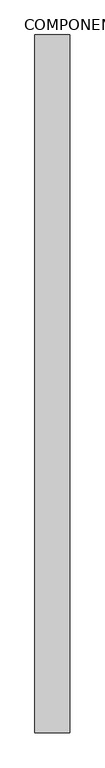
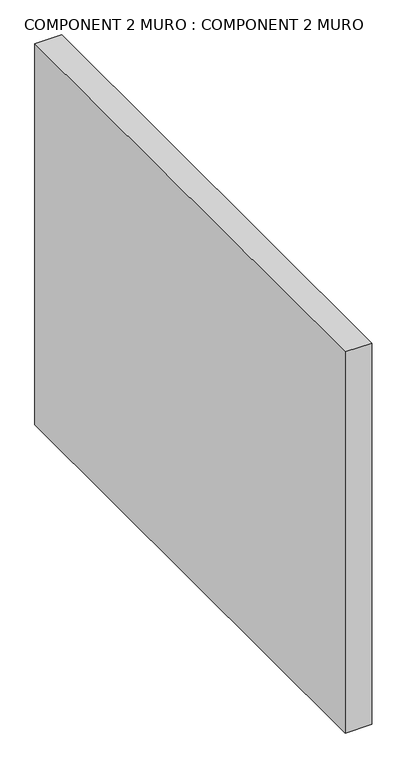
"""IFC4 building model written with IfcOpenShell, lengths in millimetres: proxy geometry, COMPONENT 2 MURO : COMPONENT 2 MURO."""

from ifc_helpers import new_model, si_unit, origin, origin_with_axes, place, context, project, spatial, polyline, outline, extrude, source, transform, mapped, element, save


def component_2_muro_component_2_muro_0639d41b(model_context):
    return source(origin(), model_context, "Body", "SweptSolid", [
        extrude(outline(polyline([(0.0, 0.0), (0.0, 4000.0), (200.0, 4000.0), (200.0, 0.0), (0.0, 0.0)])), origin_with_axes(), (0.0, 0.0, 1.0), 3000.0),
    ])


if __name__ == "__main__":
    model = new_model("IFC4")
    model_context = context("Model", 3, world=origin())
    ifc_project = project(units=[si_unit("LENGTHUNIT", "METRE", prefix="MILLI")], contexts=[model_context])
    site = spatial("IfcSite", under=ifc_project)
    building = spatial("IfcBuilding", under=site)
    placement = place(None, origin())
    component_2_muro_component_2_muro_shape = component_2_muro_component_2_muro_0639d41b(model_context)
    element("IfcBuildingElementProxy", 1, Name="COMPONENT 2 MURO : COMPONENT 2 MURO", ObjectType="COMPONENT 2 MURO : COMPONENT 2 MURO", at=placement, inside=building, context=model_context, shape_type="MappedRepresentation", body=[
        mapped(component_2_muro_component_2_muro_shape, transform((0.0, 0.0, 0.0), x_axis=(1.0, 0.0, 0.0), y_axis=(0.0, 1.0, 0.0), z_axis=(0.0, 0.0, 1.0))),
    ])
    save(model, "model.ifc")
